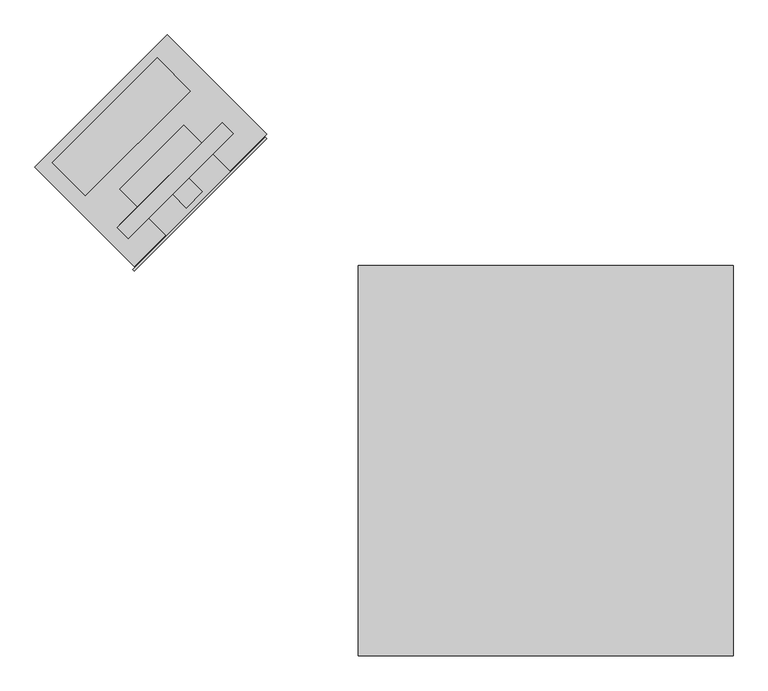
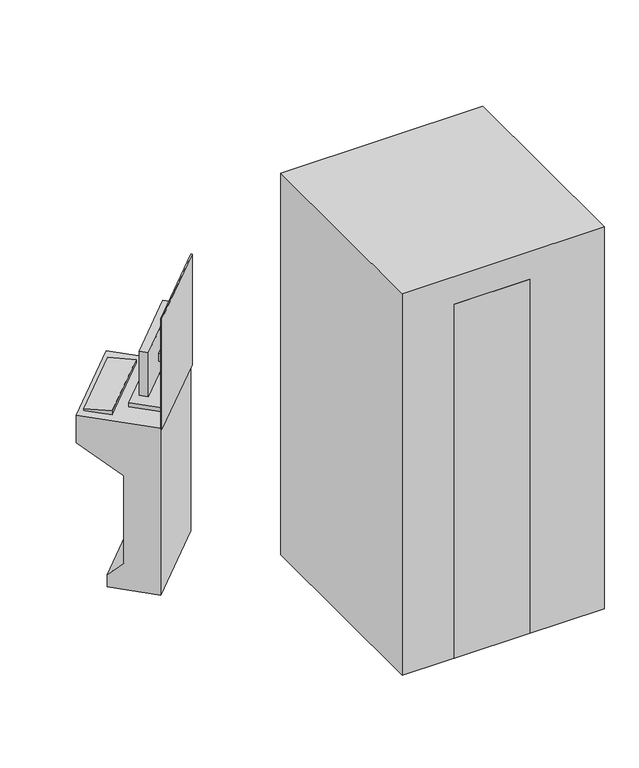
"""IFC4 building model written with IfcOpenShell, lengths in millimetres: proxy geometry."""

from ifc_helpers import new_model, si_unit, point, frame, frame_2d, origin, origin_with_axes, place, context, project, spatial, polyline, circle_curve, trimmed, segment, composite_curve, outline, extrude, faceted_brep, source, transform, mapped, element, save


def specialty_equipment_cf02471f(model_context):
    return source(origin(), model_context, "Body", "SolidModel", [
        faceted_brep([(-1358.4083322, 1420.5652135, 1498.6), (-1017.1585996, 1761.8149461, 1498.6), (-1052.9603925, 1797.616739, 1498.6), (-1394.2101251, 1456.3670064, 1498.6), (-1358.4083322, 1420.5652135, 1219.2), (-1394.2101251, 1456.3670064, 1219.2), (-1052.9603925, 1797.616739, 1219.2), (-1017.1585996, 1761.8149461, 1219.2), (-1061.9406486, 1788.6364829, 1485.9), (-1385.229869, 1465.3472625, 1485.9), (-1385.229869, 1465.3472625, 1231.9), (-1061.9406486, 1788.6364829, 1231.9), (-1381.8455128, 1461.9629064, 1485.9), (-1058.5562925, 1785.2521267, 1485.9), (-1381.8455128, 1461.9629064, 1231.9), (-1058.5562925, 1785.2521267, 1231.9)], [[[0, 1, 2, 3]], [[4, 5, 6, 7]], [[1, 0, 4, 7]], [[2, 1, 7, 6]], [[3, 2, 6, 5], [8, 9, 10, 11]], [[0, 3, 5, 4]], [[12, 9, 8, 13]], [[14, 15, 11, 10]], [[12, 13, 15, 14]], [[13, 8, 11, 15]], [[9, 12, 14, 10]]]),
        extrude(outline(polyline([(-12.7, 0.0), (0.0, 0.0), (0.0, -152.4000001), (-25.4, -152.4000001), (-12.7, 0.0)])), frame((-1605.3057598, 1667.4626411, 1066.8), z_axis=(0.707106781186548, 0.707106781186547, 0.0), x_axis=(0.0, 0.0, -1.0)), (0.0, 0.0, 1.0), 482.6),
        faceted_brep([(-1386.1181005, 1581.3215922, 1092.2), (-1386.1181005, 1581.3215922, 1066.8), (-1233.4537464, 1428.6572382, 1066.8), (-1233.4537464, 1428.6572382, 1092.2), (-1025.2506243, 1636.8603603, 1092.2), (-1025.2506243, 1636.8603603, 1066.8), (-1177.9149783, 1789.5247144, 1066.8), (-1177.9149783, 1789.5247144, 1092.2), (-1169.0229109, 1520.1480737, 1098.55), (-1169.0229109, 1520.1480737, 1092.2), (-1116.7414598, 1572.4295248, 1092.2), (-1116.7414598, 1572.4295248, 1098.55), (-1169.0229109, 1520.1480737, 1358.9), (-1116.7414598, 1572.4295248, 1358.9), (-1213.9241915, 1565.0493543, 1358.9), (-1161.6427404, 1617.3308054, 1358.9), (-1213.9241915, 1565.0493543, 1308.1), (-1161.6427404, 1617.3308054, 1308.1), (-1186.9834231, 1538.1085859, 1308.1), (-1134.701972, 1590.390037, 1308.1), (-1186.9834231, 1538.1085859, 1092.2), (-1134.701972, 1590.390037, 1092.2)], [[[0, 1, 2, 3]], [[4, 5, 6, 7]], [[8, 9, 10, 11]], [[12, 8, 11, 13]], [[14, 12, 13, 15]], [[16, 14, 15, 17]], [[18, 16, 17, 19]], [[20, 18, 19, 21]], [[0, 3, 4, 7], [9, 20, 21, 10]], [[1, 0, 7, 6]], [[2, 1, 6, 5]], [[3, 2, 5, 4]], [[20, 9, 8, 12, 14, 16, 18]], [[10, 21, 19, 17, 15, 13, 11]]]),
        extrude(outline(polyline([(-911.9895323, 1750.1214523), (-907.4994043, 1745.6313242), (-1338.5516981, 1314.5790304), (-1343.0418261, 1319.0691585), (-911.9895323, 1750.1214523)])), frame((0.0, 0.0, 1066.8), z_axis=(0.0, 0.0, 1.0), x_axis=(1.0, 0.0, 0.0)), (0.0, 0.0, 1.0), 706.0392891),
        extrude(outline(polyline([(1066.8, 0.0), (1066.8, -457.2), (889.0, -457.2), (727.4806083, -198.7149403), (168.6806083, -198.7149403), (78.8780471, -288.5175015), (0.0, -288.5175015), (0.0, 0.0), (1066.8, 0.0)])), frame((-1338.5516981, 1328.8665304, 0.0), z_axis=(0.707106781186547, 0.7071067811865482, 0.0), x_axis=(0.0, 0.0, 1.0)), (0.0, 0.0, 1.0), 609.6),
        extrude(outline(polyline([(468.3125, 1435.1), (468.3125, 1485.9), (544.5125, 1485.9), (544.5125, 1460.5), (659.613589, 1406.8274808), (837.413589, 1406.8274808), (837.413589, 1381.4274808), (659.613589, 1381.4274808), (544.5125, 1435.1), (468.3125, 1435.1)])), frame((-193.4249959, 0.0, 0.0), z_axis=(1.0, 0.0, 0.0), x_axis=(0.0, 1.0, 0.0)), (0.0, 0.0, 1.0), 254.0),
        extrude(outline(polyline([(798.5125, 1117.6), (468.3125, 1117.6), (468.3125, 1257.3), (952.4918168, 1257.3), (952.4918168, 1206.5), (798.5125, 1117.6)])), frame((-193.4249959, 0.0, 0.0), z_axis=(1.0, 0.0, 0.0), x_axis=(0.0, 1.0, 0.0)), (0.0, 0.0, 1.0), 254.0),
        extrude(outline(polyline([(-168.0249959, 366.7125), (-168.0249959, 468.3125), (35.1750041, 468.3125), (35.1750041, 366.7125), (-168.0249959, 366.7125)])), frame((0.0, 0.0, 1117.6), z_axis=(0.0, 0.0, 1.0), x_axis=(1.0, 0.0, 0.0)), (0.0, 0.0, 1.0), 609.6),
        extrude(outline(composite_curve([segment(polyline([(-168.0249959, 290.5125), (-218.8249959, 290.5125), (-218.8249959, 366.7125), (-218.8249959, 442.9125), (-320.4249959, 442.9125)]), True, "CONTINUOUS"), segment(trimmed(circle_curve(frame_2d((-320.4249959, 493.7125)), 50.8), [point((-320.4249959, 442.9125))], [point((-371.2249959, 493.7125))], False, "CARTESIAN"), True, "CONTINUOUS"), segment(polyline([(-371.2249959, 493.7125), (-371.2249959, 877.5883223)]), True, "CONTINUOUS"), segment(trimmed(circle_curve(frame_2d((-269.6249959, 877.5883223)), 101.6), [point((-371.2249959, 877.5883223))], [point((-361.705867, 920.5263377))], False, "CARTESIAN"), True, "CONTINUOUS"), segment(polyline([(-361.705867, 920.5263377), (-291.2344901, 1071.6526933)]), True, "CONTINUOUS"), segment(trimmed(circle_curve(frame_2d((-199.1536189, 1028.7146779)), 101.6), [point((-291.2344901, 1071.6526933))], [point((-199.1536189, 1130.3146779))], False, "CARTESIAN"), True, "CONTINUOUS"), segment(polyline([(-199.1536189, 1130.3146779), (66.3036271, 1130.3146779)]), True, "CONTINUOUS"), segment(trimmed(circle_curve(frame_2d((66.3036271, 1028.7146779)), 101.6), [point((66.3036271, 1130.3146779))], [point((158.3844983, 1071.6526933))], False, "CARTESIAN"), True, "CONTINUOUS"), segment(polyline([(158.3844983, 1071.6526933), (228.8558753, 920.5263377)]), True, "CONTINUOUS"), segment(trimmed(circle_curve(frame_2d((136.7750041, 877.5883223)), 101.6), [point((228.8558753, 920.5263377))], [point((238.3750041, 877.5883223))], False, "CARTESIAN"), True, "CONTINUOUS"), segment(polyline([(238.3750041, 877.5883223), (238.3750041, 493.7125)]), True, "CONTINUOUS"), segment(trimmed(circle_curve(frame_2d((187.5750041, 493.7125)), 50.8), [point((238.3750041, 493.7125))], [point((187.5750041, 442.9125))], False, "CARTESIAN"), True, "CONTINUOUS"), segment(polyline([(187.5750041, 442.9125), (85.9750041, 442.9125), (85.9750041, 290.5125), (35.1750041, 290.5125), (35.1750041, 366.7125), (-168.0249959, 366.7125), (-168.0249959, 290.5125)]), True, "CONTINUOUS")], self_intersect=False)), frame((0.0, 0.0, 1955.8), z_axis=(0.0, 0.0, 1.0), x_axis=(1.0, 0.0, 0.0)), (0.0, 0.0, 1.0), 304.8),
        extrude(outline(polyline([(162.1750041, 366.7125), (162.1750041, 61.9125), (-295.0249959, 61.9125), (-295.0249959, 366.7125), (-218.8249959, 366.7125), (-218.8249959, 290.5125), (-168.0249959, 290.5125), (-168.0249959, 366.7125), (-66.4249959, 366.7125), (35.1750041, 366.7125), (35.1750041, 290.5125), (85.9750041, 290.5125), (85.9750041, 366.7125), (162.1750041, 366.7125)])), origin_with_axes(), (0.0, 0.0, 1.0), 2260.6),
        extrude(outline(polyline([(609.6, 1331.9125), (609.6, 61.9125), (-609.6, 61.9125), (-609.6, 1331.9125), (609.6, 1331.9125)])), origin_with_axes(), (0.0, 0.0, 1.0), 2438.4),
    ])


if __name__ == "__main__":
    model = new_model("IFC4")
    model_context = context("Model", 3, world=origin())
    ifc_project = project(units=[si_unit("LENGTHUNIT", "METRE", prefix="MILLI")], contexts=[model_context])
    site = spatial("IfcSite", under=ifc_project)
    building = spatial("IfcBuilding", under=site)
    placement = place(None, origin())
    specialty_equipment_shape = specialty_equipment_cf02471f(model_context)
    element("IfcBuildingElementProxy", 1, Name="Specialty Equipment", at=placement, inside=building, context=model_context, shape_type="MappedRepresentation", body=[
        mapped(specialty_equipment_shape, transform((0.0, 0.0, 0.0), x_axis=(1.0, 0.0, 0.0), y_axis=(0.0, 1.0, 0.0), z_axis=(0.0, 0.0, 1.0))),
    ])
    save(model, "model.ifc")
